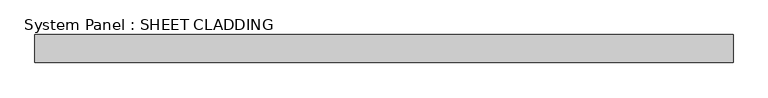
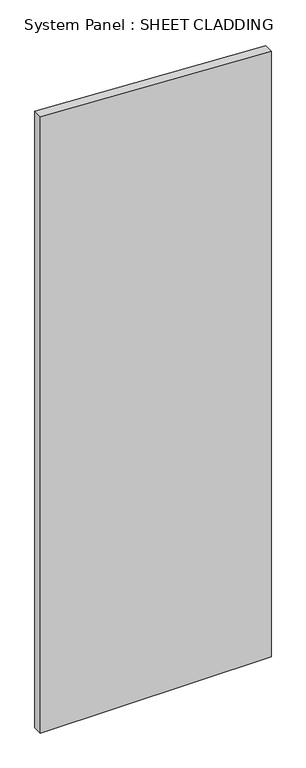
"""IFC4 building model written with IfcOpenShell, lengths in millimetres: plate geometry, System Panel : SHEET CLADDING."""

import ifcopenshell
import ifcopenshell.guid

model = None  # the IFC model being written
_history = None  # IfcOwnerHistory: only IFC2X3 demands one
_inside = {}  # id of a spatial element -> (the spatial element, [elements in it])
_under = {}  # id of a project, library or spatial element -> (it, [spatial elements below it])
_declared = {}  # id of a project -> (the project, [libraries it declares])
_typed = {}  # id of a type object -> (the type object, [elements of that type])
_made_of = {}  # id of a material, layer set ... -> (it, [elements and type objects made of it])


def new_model(schema):
    """Start an empty IFC model of exactly this schema.

    Asked for "IFC4X3", IfcOpenShell would pick the latest addendum, in which some entities
    have other attributes; the version numbers below select the first issue.
    IFC2X3 requires an IfcOwnerHistory on every rooted entity: one is made here for all.
    """
    global model, _history
    if schema == "IFC4X3":
        model = ifcopenshell.file(schema_version=(4, 3, 0, 0))
    else:
        model = ifcopenshell.file(schema=schema)
    _inside.clear()
    _under.clear()
    _declared.clear()
    _typed.clear()
    _made_of.clear()
    _history = None
    if model.schema == "IFC2X3":
        org = make("IfcOrganization", Name="unknown")
        user = make(
            "IfcPersonAndOrganization",
            ThePerson=make("IfcPerson", FamilyName="unknown"),
            TheOrganization=org,
        )
        app = make(
            "IfcApplication",
            ApplicationDeveloper=org,
            Version="unknown",
            ApplicationFullName="unknown",
            ApplicationIdentifier="unknown",
        )
        _history = make(
            "IfcOwnerHistory",
            OwningUser=user,
            OwningApplication=app,
            ChangeAction="ADDED",
            CreationDate=0,
        )
    return model


def make(cls, **values):
    """One entity of the class cls with the attributes given. An attribute that is None is left unset."""
    return model.create_entity(
        cls, **{name: value for name, value in values.items() if value is not None}
    )


def rooted(cls, **values):
    """An entity with a GlobalId (a new one), such as an element, a storey or a relation."""
    return make(cls, GlobalId=ifcopenshell.guid.new(), OwnerHistory=_history, **values)


def si_unit(unit_type, name, prefix=None):
    """IfcSIUnit, for example si_unit("LENGTHUNIT", "METRE", prefix="MILLI")."""
    return make("IfcSIUnit", UnitType=unit_type, Prefix=prefix, Name=name)


def assignment(units):
    """IfcUnitAssignment: the units of a project."""
    return None if units is None else make("IfcUnitAssignment", Units=units)


def point(xyz):
    """IfcCartesianPoint."""
    return None if xyz is None else make("IfcCartesianPoint", Coordinates=xyz)


def direction(xyz):
    """IfcDirection."""
    return None if xyz is None else make("IfcDirection", DirectionRatios=xyz)


def frame(location, z_axis=None, x_axis=None):
    """IfcAxis2Placement3D, a coordinate frame: its origin and axes. An axis left out is left unset."""
    return make(
        "IfcAxis2Placement3D",
        Location=point(location),
        Axis=direction(z_axis),
        RefDirection=direction(x_axis),
    )


def origin():
    """The frame at (0, 0, 0) with its axes left unset."""
    return frame((0.0, 0.0, 0.0))


def place(relative_to, where):
    """IfcLocalPlacement: puts the frame where relative to a parent placement (None: the world)."""
    return make(
        "IfcLocalPlacement", PlacementRelTo=relative_to, RelativePlacement=where
    )


def context(
    kind, dimensions, precision=None, world=None, true_north=None, identifier=None
):
    """IfcGeometricRepresentationContext, for example the 3D "Model" context."""
    return make(
        "IfcGeometricRepresentationContext",
        ContextIdentifier=identifier,
        ContextType=kind,
        CoordinateSpaceDimension=dimensions,
        Precision=precision,
        WorldCoordinateSystem=world,
        TrueNorth=true_north,
    )


def project(units=None, contexts=None):
    """IfcProject with its units and contexts."""
    return rooted(
        "IfcProject",
        Name="project",
        RepresentationContexts=contexts,
        UnitsInContext=assignment(units),
    )


def spatial(cls, under=None, at=None, **own):
    """A site, building, storey or space (cls), placed at a placement, below another one or the project."""
    s = rooted(cls, ObjectPlacement=at, **own)
    if under is not None:
        _under.setdefault(under.id(), (under, []))[1].append(s)
    return s


def polyline(points):
    """IfcPolyline through the points."""
    return make("IfcPolyline", Points=[point(p) for p in points])


def outline(outer, holes=None, kind="AREA"):
    """IfcArbitraryClosedProfileDef: a profile drawn as a closed curve; with holes, ...WithVoids."""
    if holes is None:
        return make("IfcArbitraryClosedProfileDef", ProfileType=kind, OuterCurve=outer)
    return make(
        "IfcArbitraryProfileDefWithVoids",
        ProfileType=kind,
        OuterCurve=outer,
        InnerCurves=holes,
    )


def extrude(swept, where, along, depth):
    """IfcExtrudedAreaSolid: the profile swept, set in the frame where, extruded along a direction by depth."""
    return make(
        "IfcExtrudedAreaSolid",
        SweptArea=swept,
        Position=where,
        ExtrudedDirection=direction(along),
        Depth=depth,
    )


def shape(context_of_items, identifier, shape_type, items):
    """IfcShapeRepresentation: the items that make up one representation, for example the "Body"."""
    return make(
        "IfcShapeRepresentation",
        ContextOfItems=context_of_items,
        RepresentationIdentifier=identifier,
        RepresentationType=shape_type,
        Items=items,
    )


def source(mapping_origin, context_of_items, identifier, shape_type, items):
    """IfcRepresentationMap: a shape defined once, which mapped items show again and again."""
    return make(
        "IfcRepresentationMap",
        MappingOrigin=mapping_origin,
        MappedRepresentation=shape(context_of_items, identifier, shape_type, items),
    )


def transform(
    local_origin,
    x_axis=None,
    y_axis=None,
    z_axis=None,
    scale=None,
    scale2=None,
    scale3=None,
    uniform=True,
):
    """IfcCartesianTransformationOperator3D, or its non-uniform kind. x_axis, y_axis, z_axis: its Axis1, 2, 3."""
    if uniform:
        return make(
            "IfcCartesianTransformationOperator3D",
            Axis1=direction(x_axis),
            Axis2=direction(y_axis),
            LocalOrigin=point(local_origin),
            Scale=scale,
            Axis3=direction(z_axis),
        )
    return make(
        "IfcCartesianTransformationOperator3DnonUniform",
        Axis1=direction(x_axis),
        Axis2=direction(y_axis),
        LocalOrigin=point(local_origin),
        Scale=scale,
        Axis3=direction(z_axis),
        Scale2=scale2,
        Scale3=scale3,
    )


def mapped(mapping_source, mapping_target):
    """IfcMappedItem: shows the shape of a source again, moved by a transform."""
    return make(
        "IfcMappedItem", MappingSource=mapping_source, MappingTarget=mapping_target
    )


def made_of(thing, what):
    """Note that an element or type object is made of a material, layer set ...; save() writes the relation."""
    if what is not None:
        _made_of.setdefault(what.id(), (what, []))[1].append(thing)
    return thing


def element(
    cls,
    number,
    at=None,
    inside=None,
    cuts=None,
    type_object=None,
    material=None,
    context=None,
    identifier="Body",
    shape_type=None,
    held_by="IfcProductDefinitionShape",
    body=None,
    shapes=None,
    **own,
):
    """One element of the class cls, such as IfcWall. Its Tag is "e" and its number.

    at: its placement. inside: the storey or other place that contains it. cuts: it is an
    opening in that element (IfcRelVoidsElement). A single representation is given by context,
    identifier, shape_type and body (its items); several are given by shapes. held_by: the class
    of the entity that holds the representations. save() writes the other relations.
    """
    e = rooted(cls, Tag="e%d" % number, ObjectPlacement=at, **own)
    if body is not None:
        shapes = [shape(context, identifier, shape_type, body)]
    if shapes is not None:
        e.Representation = make(held_by, Representations=shapes)
    if inside is not None:
        _inside.setdefault(inside.id(), (inside, []))[1].append(e)
    if cuts is not None:
        rooted(
            "IfcRelVoidsElement", RelatingBuildingElement=cuts, RelatedOpeningElement=e
        )
    if type_object is not None:
        _typed.setdefault(type_object.id(), (type_object, []))[1].append(e)
    return made_of(e, material)


def aggregate(whole, parts):
    """IfcRelAggregates: a whole, such as a stair, and the parts it consists of."""
    return rooted("IfcRelAggregates", RelatingObject=whole, RelatedObjects=parts)


def save(model, path):
    """Write the relations noted so far, then the file.

    IfcRelAggregates (storeys below a building ...), IfcRelContainedInSpatialStructure (elements
    in a storey), IfcRelDefinesByType, IfcRelAssociatesMaterial and IfcRelDeclares: one each for
    every whole, place, type object, material and project.
    """
    for whole, parts in _under.values():
        aggregate(whole, parts)
    for where, things in _inside.values():
        rooted(
            "IfcRelContainedInSpatialStructure",
            RelatedElements=things,
            RelatingStructure=where,
        )
    for kind, things in _typed.values():
        rooted("IfcRelDefinesByType", RelatedObjects=things, RelatingType=kind)
    for what, things in _made_of.values():
        rooted("IfcRelAssociatesMaterial", RelatedObjects=things, RelatingMaterial=what)
    for by, libraries in _declared.values():
        rooted("IfcRelDeclares", RelatingContext=by, RelatedDefinitions=libraries)
    model.write(path)


def system_panel_sheet_cladding_aa4606cf(model_context):
    return source(origin(), model_context, "Body", "SweptSolid", [
        extrude(outline(polyline([(0.0, -750.0), (0.0, 750.0), (4160.1, 750.0), (4235.1, -750.0), (0.0, -750.0)])), frame((0.0, -49.5, 0.0), z_axis=(0.0, 1.0, 0.0), x_axis=(0.0, 0.0, 1.0)), (0.0, 0.0, 1.0), 60.0),
    ])


if __name__ == "__main__":
    model = new_model("IFC4")
    model_context = context("Model", 3, world=origin())
    ifc_project = project(units=[si_unit("LENGTHUNIT", "METRE", prefix="MILLI")], contexts=[model_context])
    site = spatial("IfcSite", under=ifc_project)
    building = spatial("IfcBuilding", under=site)
    placement = place(None, origin())
    system_panel_sheet_cladding_shape = system_panel_sheet_cladding_aa4606cf(model_context)
    element("IfcPlate", 1, ObjectType="System Panel : SHEET CLADDING", at=placement, inside=building, context=model_context, shape_type="MappedRepresentation", body=[
        mapped(system_panel_sheet_cladding_shape, transform((0.0, 0.0, 0.0), x_axis=(1.0, 0.0, 0.0), y_axis=(0.0, 1.0, 0.0), z_axis=(0.0, 0.0, 1.0))),
    ])
    save(model, "model.ifc")
